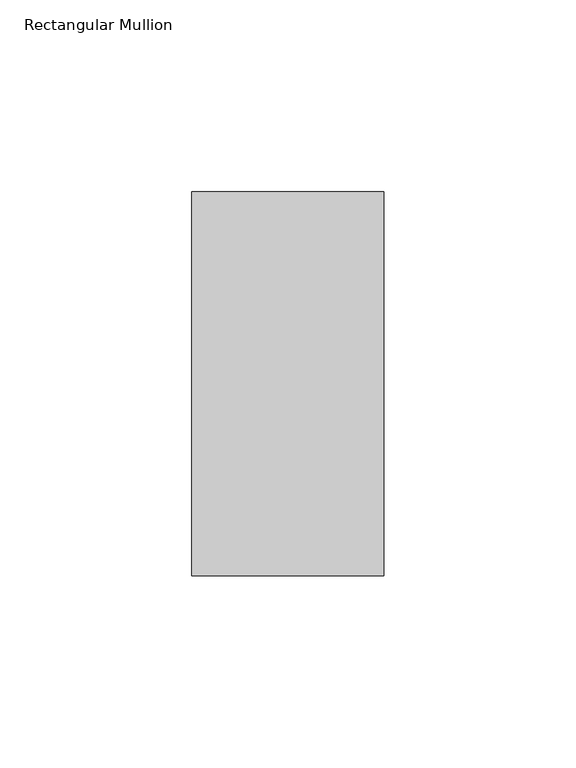
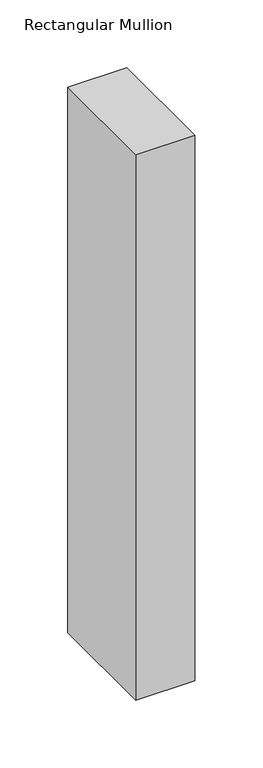
"""IFC4 building model written with IfcOpenShell, lengths in millimetres: member geometry, Rectangular Mullion."""

from ifc_helpers import new_model, si_unit, frame, origin, place, context, project, spatial, polyline, outline, extrude, source, transform, mapped, element, save


def rectangular_mullion_840c3e45(model_context):
    return source(origin(), model_context, "Body", "SweptSolid", [
        extrude(outline(polyline([(25.0, 31.0), (25.0, -69.0), (-25.0, -69.0), (-25.0, 31.0), (25.0, 31.0)])), frame((0.0, 0.0, -490.0), z_axis=(0.0, 0.0, 1.0), x_axis=(1.0, 0.0, 0.0)), (0.0, 0.0, 1.0), 490.0),
    ])


if __name__ == "__main__":
    model = new_model("IFC4")
    model_context = context("Model", 3, world=origin())
    ifc_project = project(units=[si_unit("LENGTHUNIT", "METRE", prefix="MILLI")], contexts=[model_context])
    site = spatial("IfcSite", under=ifc_project)
    building = spatial("IfcBuilding", under=site)
    placement = place(None, origin())
    rectangular_mullion_shape = rectangular_mullion_840c3e45(model_context)
    element("IfcMember", 1, ObjectType="Rectangular Mullion", at=placement, inside=building, context=model_context, shape_type="MappedRepresentation", body=[
        mapped(rectangular_mullion_shape, transform((0.0, 0.0, 0.0), x_axis=(1.0, 0.0, 0.0), y_axis=(0.0, 1.0, 0.0), z_axis=(0.0, 0.0, 1.0))),
    ])
    save(model, "model.ifc")
